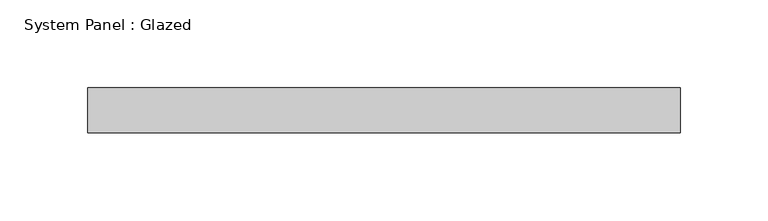
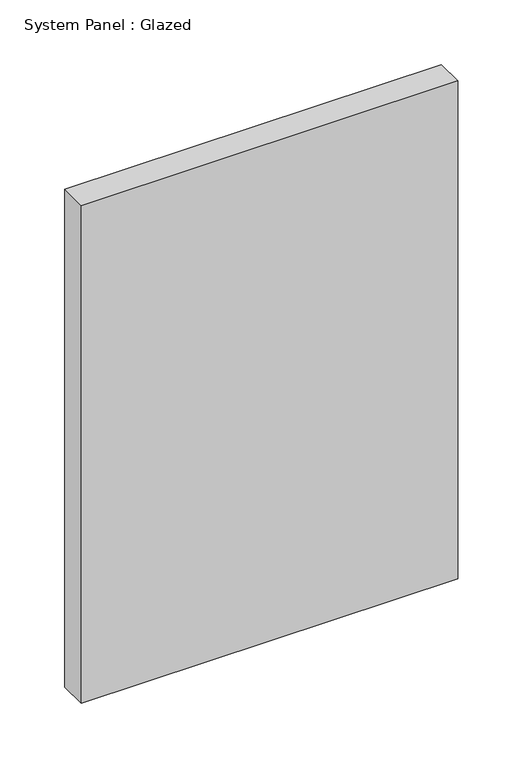
"""IFC4 building model written with IfcOpenShell, lengths in millimetres: plate geometry, System Panel : Glazed."""

from ifc_helpers import new_model, si_unit, origin, origin_with_axes, place, context, project, spatial, polyline, outline, extrude, source, transform, mapped, element, save


def system_panel_glazed_b25f484c(model_context):
    return source(origin(), model_context, "Body", "SweptSolid", [
        extrude(outline(polyline([(168.275, -12.7), (-168.275, -12.7), (-168.275, 12.7), (168.275, 12.7), (168.275, -12.7)])), origin_with_axes(), (0.0, 0.0, 1.0), 469.9),
    ])


if __name__ == "__main__":
    model = new_model("IFC4")
    model_context = context("Model", 3, world=origin())
    ifc_project = project(units=[si_unit("LENGTHUNIT", "METRE", prefix="MILLI")], contexts=[model_context])
    site = spatial("IfcSite", under=ifc_project)
    building = spatial("IfcBuilding", under=site)
    placement = place(None, origin())
    system_panel_glazed_shape = system_panel_glazed_b25f484c(model_context)
    element("IfcPlate", 1, ObjectType="System Panel : Glazed", at=placement, inside=building, context=model_context, shape_type="MappedRepresentation", body=[
        mapped(system_panel_glazed_shape, transform((0.0, 0.0, 0.0), x_axis=(1.0, 0.0, 0.0), y_axis=(0.0, 1.0, 0.0), z_axis=(0.0, 0.0, 1.0))),
    ])
    save(model, "model.ifc")
